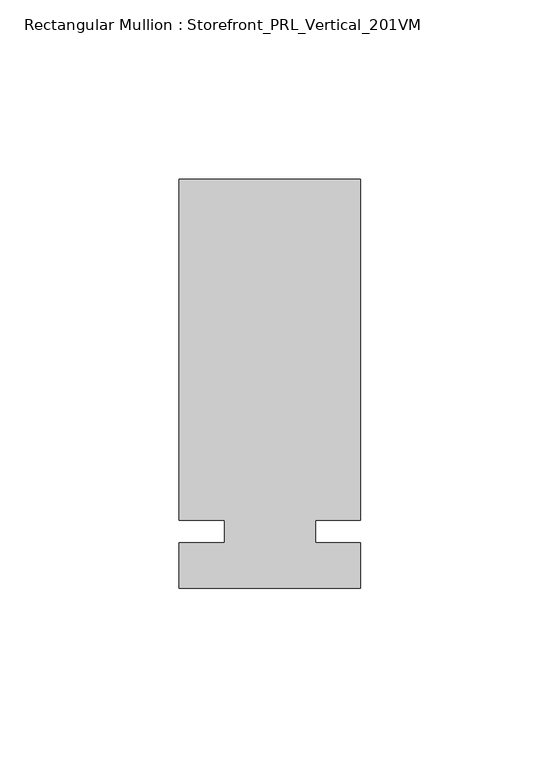
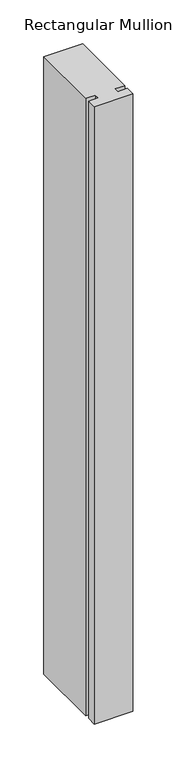
"""IFC4 building model written with IfcOpenShell, lengths in millimetres: member geometry, Rectangular Mullion : Storefront_PRL_Vertical_201VM."""

from ifc_helpers import new_model, si_unit, frame, origin, place, context, project, spatial, polyline, outline, extrude, source, transform, mapped, element, save


def rectangular_mullion_storefront_prl_vertical_201vm_cb174b2e(model_context):
    return source(origin(), model_context, "Body", "SweptSolid", [
        extrude(outline(polyline([(-12.7, 3.175), (-25.4, 3.175), (-25.4, 98.425), (25.4, 98.425), (25.4, 3.175), (12.7, 3.175), (12.7, -3.175), (25.4, -3.175), (25.4, -15.875), (-25.4, -15.875), (-25.4, -3.175), (-12.7, -3.175), (-12.7, 3.175)])), frame((0.0, 0.0, -857.25), z_axis=(0.0, 0.0, 1.0), x_axis=(1.0, 0.0, 0.0)), (0.0, 0.0, 1.0), 857.25),
    ])


if __name__ == "__main__":
    model = new_model("IFC4")
    model_context = context("Model", 3, world=origin())
    ifc_project = project(units=[si_unit("LENGTHUNIT", "METRE", prefix="MILLI")], contexts=[model_context])
    site = spatial("IfcSite", under=ifc_project)
    building = spatial("IfcBuilding", under=site)
    placement = place(None, origin())
    rectangular_mullion_storefront_prl_vertical_201vm_shape = rectangular_mullion_storefront_prl_vertical_201vm_cb174b2e(model_context)
    element("IfcMember", 1, ObjectType="Rectangular Mullion : Storefront_PRL_Vertical_201VM", at=placement, inside=building, context=model_context, shape_type="MappedRepresentation", body=[
        mapped(rectangular_mullion_storefront_prl_vertical_201vm_shape, transform((0.0, 0.0, 0.0), x_axis=(1.0, 0.0, 0.0), y_axis=(0.0, 1.0, 0.0), z_axis=(0.0, 0.0, 1.0))),
    ])
    save(model, "model.ifc")
